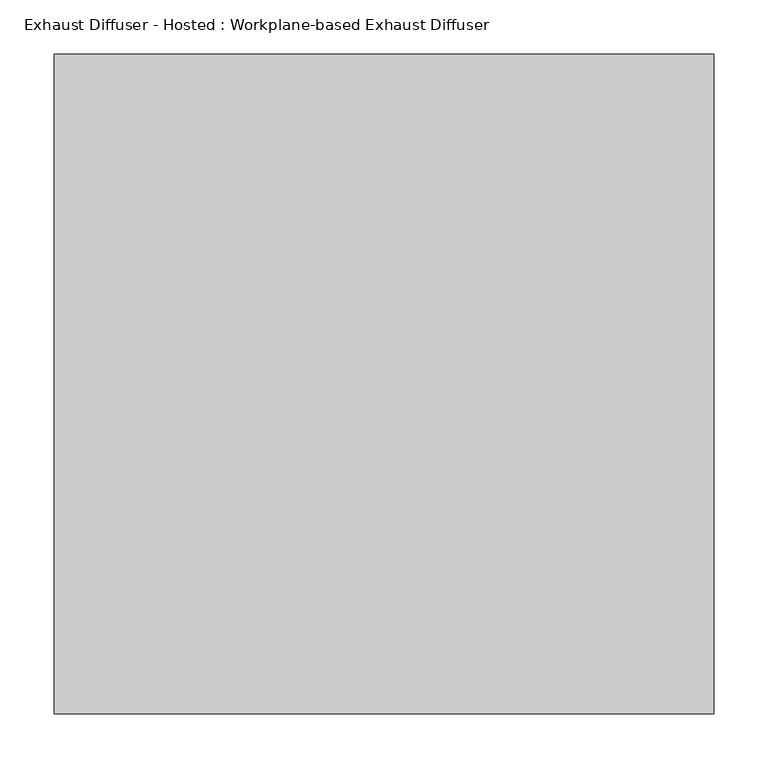
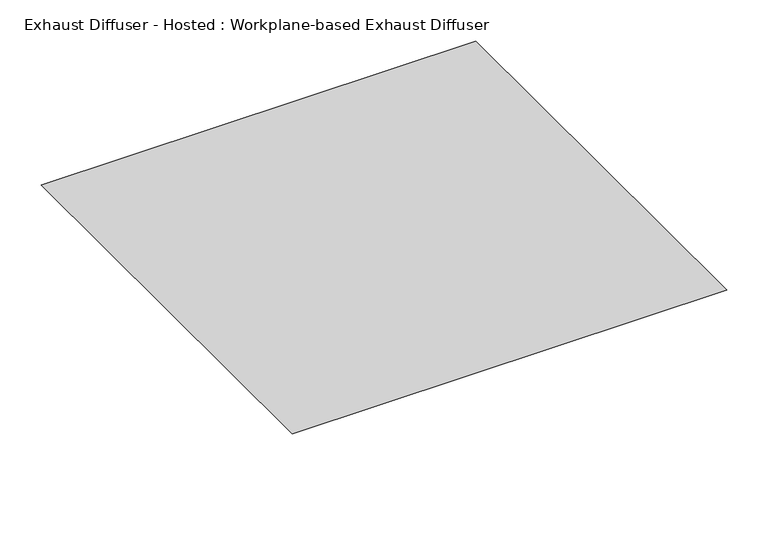
"""IFC4 building model written with IfcOpenShell, lengths in millimetres: air terminal geometry, Exhaust Diffuser - Hosted : Workplane-based Exhaust Diffuser."""

import ifcopenshell
import ifcopenshell.guid

model = None  # the IFC model being written
_history = None  # IfcOwnerHistory: only IFC2X3 demands one
_inside = {}  # id of a spatial element -> (the spatial element, [elements in it])
_under = {}  # id of a project, library or spatial element -> (it, [spatial elements below it])
_declared = {}  # id of a project -> (the project, [libraries it declares])
_typed = {}  # id of a type object -> (the type object, [elements of that type])
_made_of = {}  # id of a material, layer set ... -> (it, [elements and type objects made of it])


def new_model(schema):
    """Start an empty IFC model of exactly this schema.

    Asked for "IFC4X3", IfcOpenShell would pick the latest addendum, in which some entities
    have other attributes; the version numbers below select the first issue.
    IFC2X3 requires an IfcOwnerHistory on every rooted entity: one is made here for all.
    """
    global model, _history
    if schema == "IFC4X3":
        model = ifcopenshell.file(schema_version=(4, 3, 0, 0))
    else:
        model = ifcopenshell.file(schema=schema)
    _inside.clear()
    _under.clear()
    _declared.clear()
    _typed.clear()
    _made_of.clear()
    _history = None
    if model.schema == "IFC2X3":
        org = make("IfcOrganization", Name="unknown")
        user = make(
            "IfcPersonAndOrganization",
            ThePerson=make("IfcPerson", FamilyName="unknown"),
            TheOrganization=org,
        )
        app = make(
            "IfcApplication",
            ApplicationDeveloper=org,
            Version="unknown",
            ApplicationFullName="unknown",
            ApplicationIdentifier="unknown",
        )
        _history = make(
            "IfcOwnerHistory",
            OwningUser=user,
            OwningApplication=app,
            ChangeAction="ADDED",
            CreationDate=0,
        )
    return model


def make(cls, **values):
    """One entity of the class cls with the attributes given. An attribute that is None is left unset."""
    return model.create_entity(
        cls, **{name: value for name, value in values.items() if value is not None}
    )


def rooted(cls, **values):
    """An entity with a GlobalId (a new one), such as an element, a storey or a relation."""
    return make(cls, GlobalId=ifcopenshell.guid.new(), OwnerHistory=_history, **values)


def si_unit(unit_type, name, prefix=None):
    """IfcSIUnit, for example si_unit("LENGTHUNIT", "METRE", prefix="MILLI")."""
    return make("IfcSIUnit", UnitType=unit_type, Prefix=prefix, Name=name)


def assignment(units):
    """IfcUnitAssignment: the units of a project."""
    return None if units is None else make("IfcUnitAssignment", Units=units)


def point(xyz):
    """IfcCartesianPoint."""
    return None if xyz is None else make("IfcCartesianPoint", Coordinates=xyz)


def direction(xyz):
    """IfcDirection."""
    return None if xyz is None else make("IfcDirection", DirectionRatios=xyz)


def frame(location, z_axis=None, x_axis=None):
    """IfcAxis2Placement3D, a coordinate frame: its origin and axes. An axis left out is left unset."""
    return make(
        "IfcAxis2Placement3D",
        Location=point(location),
        Axis=direction(z_axis),
        RefDirection=direction(x_axis),
    )


def origin():
    """The frame at (0, 0, 0) with its axes left unset."""
    return frame((0.0, 0.0, 0.0))


def place(relative_to, where):
    """IfcLocalPlacement: puts the frame where relative to a parent placement (None: the world)."""
    return make(
        "IfcLocalPlacement", PlacementRelTo=relative_to, RelativePlacement=where
    )


def context(
    kind, dimensions, precision=None, world=None, true_north=None, identifier=None
):
    """IfcGeometricRepresentationContext, for example the 3D "Model" context."""
    return make(
        "IfcGeometricRepresentationContext",
        ContextIdentifier=identifier,
        ContextType=kind,
        CoordinateSpaceDimension=dimensions,
        Precision=precision,
        WorldCoordinateSystem=world,
        TrueNorth=true_north,
    )


def project(units=None, contexts=None):
    """IfcProject with its units and contexts."""
    return rooted(
        "IfcProject",
        Name="project",
        RepresentationContexts=contexts,
        UnitsInContext=assignment(units),
    )


def spatial(cls, under=None, at=None, **own):
    """A site, building, storey or space (cls), placed at a placement, below another one or the project."""
    s = rooted(cls, ObjectPlacement=at, **own)
    if under is not None:
        _under.setdefault(under.id(), (under, []))[1].append(s)
    return s


def faces_of(points, faces, orient=None, outer=None):
    """IfcFace entities. A face is a list of loops; a loop is a list of indices into points, from 0.

    orient and outer hold one flag for each loop. By default every Orientation is true, the
    first loop of a face is its IfcFaceOuterBound and the others are IfcFaceBound.
    """
    made = []
    for i, loops in enumerate(faces):
        bounds = []
        for j, loop in enumerate(loops):
            is_outer = j == 0 if outer is None else outer[i][j]
            bounds.append(
                make(
                    "IfcFaceOuterBound" if is_outer else "IfcFaceBound",
                    Bound=make("IfcPolyLoop", Polygon=[points[k] for k in loop]),
                    Orientation=True if orient is None else orient[i][j],
                )
            )
        made.append(make("IfcFace", Bounds=bounds))
    return made


def faceted_brep(points, faces, orient=None, outer=None, voids=None):
    """IfcFacetedBrep: a solid bounded by flat faces; with voids (closed shells), ...WithVoids."""
    shared = [point(p) for p in points]
    hull = make("IfcClosedShell", CfsFaces=faces_of(shared, faces, orient, outer))
    if voids is None:
        return make("IfcFacetedBrep", Outer=hull)
    return make(
        "IfcFacetedBrepWithVoids",
        Outer=hull,
        Voids=[
            make(cls, CfsFaces=faces_of(shared, fs, o, b)) for cls, fs, o, b in voids
        ],
    )


def shape(context_of_items, identifier, shape_type, items):
    """IfcShapeRepresentation: the items that make up one representation, for example the "Body"."""
    return make(
        "IfcShapeRepresentation",
        ContextOfItems=context_of_items,
        RepresentationIdentifier=identifier,
        RepresentationType=shape_type,
        Items=items,
    )


def source(mapping_origin, context_of_items, identifier, shape_type, items):
    """IfcRepresentationMap: a shape defined once, which mapped items show again and again."""
    return make(
        "IfcRepresentationMap",
        MappingOrigin=mapping_origin,
        MappedRepresentation=shape(context_of_items, identifier, shape_type, items),
    )


def transform(
    local_origin,
    x_axis=None,
    y_axis=None,
    z_axis=None,
    scale=None,
    scale2=None,
    scale3=None,
    uniform=True,
):
    """IfcCartesianTransformationOperator3D, or its non-uniform kind. x_axis, y_axis, z_axis: its Axis1, 2, 3."""
    if uniform:
        return make(
            "IfcCartesianTransformationOperator3D",
            Axis1=direction(x_axis),
            Axis2=direction(y_axis),
            LocalOrigin=point(local_origin),
            Scale=scale,
            Axis3=direction(z_axis),
        )
    return make(
        "IfcCartesianTransformationOperator3DnonUniform",
        Axis1=direction(x_axis),
        Axis2=direction(y_axis),
        LocalOrigin=point(local_origin),
        Scale=scale,
        Axis3=direction(z_axis),
        Scale2=scale2,
        Scale3=scale3,
    )


def mapped(mapping_source, mapping_target):
    """IfcMappedItem: shows the shape of a source again, moved by a transform."""
    return make(
        "IfcMappedItem", MappingSource=mapping_source, MappingTarget=mapping_target
    )


def made_of(thing, what):
    """Note that an element or type object is made of a material, layer set ...; save() writes the relation."""
    if what is not None:
        _made_of.setdefault(what.id(), (what, []))[1].append(thing)
    return thing


def element(
    cls,
    number,
    at=None,
    inside=None,
    cuts=None,
    type_object=None,
    material=None,
    context=None,
    identifier="Body",
    shape_type=None,
    held_by="IfcProductDefinitionShape",
    body=None,
    shapes=None,
    **own,
):
    """One element of the class cls, such as IfcWall. Its Tag is "e" and its number.

    at: its placement. inside: the storey or other place that contains it. cuts: it is an
    opening in that element (IfcRelVoidsElement). A single representation is given by context,
    identifier, shape_type and body (its items); several are given by shapes. held_by: the class
    of the entity that holds the representations. save() writes the other relations.
    """
    e = rooted(cls, Tag="e%d" % number, ObjectPlacement=at, **own)
    if body is not None:
        shapes = [shape(context, identifier, shape_type, body)]
    if shapes is not None:
        e.Representation = make(held_by, Representations=shapes)
    if inside is not None:
        _inside.setdefault(inside.id(), (inside, []))[1].append(e)
    if cuts is not None:
        rooted(
            "IfcRelVoidsElement", RelatingBuildingElement=cuts, RelatedOpeningElement=e
        )
    if type_object is not None:
        _typed.setdefault(type_object.id(), (type_object, []))[1].append(e)
    return made_of(e, material)


def aggregate(whole, parts):
    """IfcRelAggregates: a whole, such as a stair, and the parts it consists of."""
    return rooted("IfcRelAggregates", RelatingObject=whole, RelatedObjects=parts)


def save(model, path):
    """Write the relations noted so far, then the file.

    IfcRelAggregates (storeys below a building ...), IfcRelContainedInSpatialStructure (elements
    in a storey), IfcRelDefinesByType, IfcRelAssociatesMaterial and IfcRelDeclares: one each for
    every whole, place, type object, material and project.
    """
    for whole, parts in _under.values():
        aggregate(whole, parts)
    for where, things in _inside.values():
        rooted(
            "IfcRelContainedInSpatialStructure",
            RelatedElements=things,
            RelatingStructure=where,
        )
    for kind, things in _typed.values():
        rooted("IfcRelDefinesByType", RelatedObjects=things, RelatingType=kind)
    for what, things in _made_of.values():
        rooted("IfcRelAssociatesMaterial", RelatedObjects=things, RelatingMaterial=what)
    for by, libraries in _declared.values():
        rooted("IfcRelDeclares", RelatingContext=by, RelatedDefinitions=libraries)
    model.write(path)


def exhaust_diffuser_hosted_workplane_based_exhaust_diffuser_5d5a8b1b(model_context):
    return source(origin(), model_context, "Body", "Brep", [
        faceted_brep([(304.8, -304.8, 0.0), (304.8, 304.8, 0.0), (-304.8, 304.8, 0.0), (-304.8, -304.8, 0.0), (152.4, -152.4, -101.8523776), (-152.4, -152.4, -101.8523776), (-152.4, 152.4, -101.8523776), (152.4, 152.4, -101.8523776)], [[[0, 1, 2, 3]], [[4, 5, 6, 7]], [[4, 0, 3, 5]], [[5, 3, 2, 6]], [[6, 2, 1, 7]], [[7, 1, 0, 4]]]),
    ])


if __name__ == "__main__":
    model = new_model("IFC4")
    model_context = context("Model", 3, world=origin())
    ifc_project = project(units=[si_unit("LENGTHUNIT", "METRE", prefix="MILLI")], contexts=[model_context])
    site = spatial("IfcSite", under=ifc_project)
    building = spatial("IfcBuilding", under=site)
    placement = place(None, origin())
    exhaust_diffuser_hosted_workplane_based_exhaust_diffuser_shape = exhaust_diffuser_hosted_workplane_based_exhaust_diffuser_5d5a8b1b(model_context)
    element("IfcAirTerminal", 1, ObjectType="Exhaust Diffuser - Hosted : Workplane-based Exhaust Diffuser", at=placement, inside=building, context=model_context, shape_type="MappedRepresentation", body=[
        mapped(exhaust_diffuser_hosted_workplane_based_exhaust_diffuser_shape, transform((0.0, 0.0, 0.0), x_axis=(1.0, 0.0, 0.0), y_axis=(0.0, 1.0, 0.0), z_axis=(0.0, 0.0, 1.0))),
    ])
    save(model, "model.ifc")
